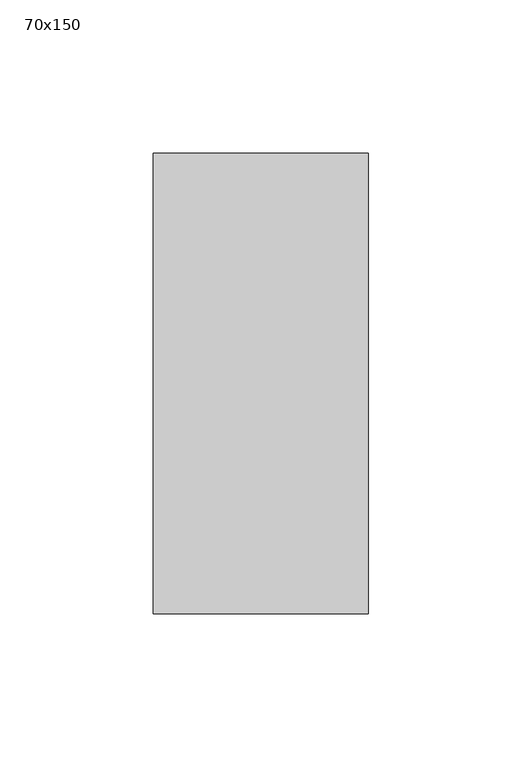
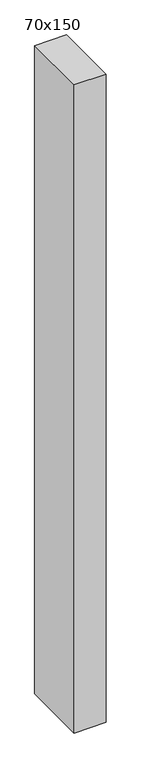
"""IFC4 building model written with IfcOpenShell, lengths in millimetres: member geometry, 70x150."""

from ifc_helpers import new_model, si_unit, frame, origin, place, context, project, spatial, polyline, outline, extrude, source, transform, mapped, element, save


def member_70x150_4e68411c(model_context):
    return source(origin(), model_context, "Body", "SweptSolid", [
        extrude(outline(polyline([(0.0, 75.0), (0.0, -75.0), (-70.0, -75.0), (-70.0, 75.0), (0.0, 75.0)])), frame((0.0, 0.0, -1500.0), z_axis=(0.0, 0.0, 1.0), x_axis=(1.0, 0.0, 0.0)), (0.0, 0.0, 1.0), 1500.0),
    ])


if __name__ == "__main__":
    model = new_model("IFC4")
    model_context = context("Model", 3, world=origin())
    ifc_project = project(units=[si_unit("LENGTHUNIT", "METRE", prefix="MILLI")], contexts=[model_context])
    site = spatial("IfcSite", under=ifc_project)
    building = spatial("IfcBuilding", under=site)
    placement = place(None, origin())
    member_70x150_shape = member_70x150_4e68411c(model_context)
    element("IfcMember", 1, ObjectType="70x150", at=placement, inside=building, context=model_context, shape_type="MappedRepresentation", body=[
        mapped(member_70x150_shape, transform((0.0, 0.0, 0.0), x_axis=(1.0, 0.0, 0.0), y_axis=(0.0, 1.0, 0.0), z_axis=(0.0, 0.0, 1.0))),
    ])
    save(model, "model.ifc")
